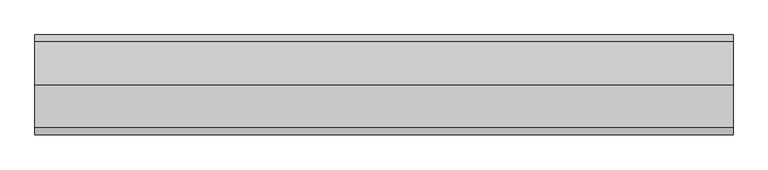
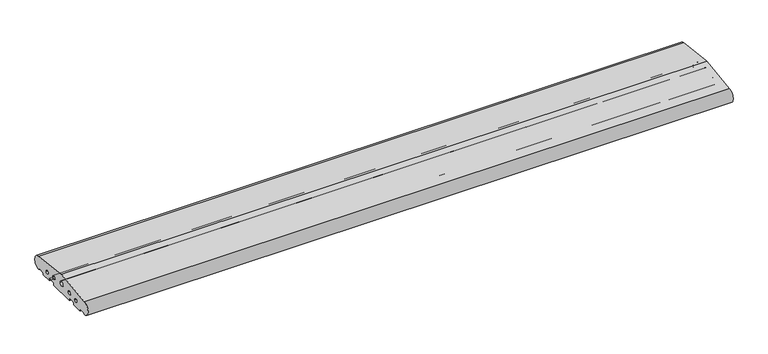
"""IFC4 building model written with IfcOpenShell, lengths in millimetres: proxy geometry."""

from ifc_helpers import new_model, si_unit, point, frame, frame_2d, origin, place, context, project, spatial, polyline, circle_curve, trimmed, segment, composite_curve, outline, extrude, source, transform, mapped, element, save


def generic_models_710beaf4(model_context):
    return source(origin(), model_context, "Body", "SweptSolid", [
        extrude(outline(composite_curve([segment(trimmed(circle_curve(frame_2d((26.5732255, 3.5071443)), 1.0), [point((26.5981483, 2.5074549))], [point((25.7072001, 3.0071443))], False, "CARTESIAN"), True, "CONTINUOUS"), segment(polyline([(25.7072001, 3.0071443), (23.6905989, 6.5)]), True, "CONTINUOUS"), segment(trimmed(circle_curve(frame_2d((21.9585481, 5.5)), 2.0), [point((23.6905989, 6.5))], [point((21.9585481, 7.5))], True, "CARTESIAN"), True, "CONTINUOUS"), segment(polyline([(21.9585481, 7.5), (5.4848276, 7.5)]), True, "CONTINUOUS"), segment(trimmed(circle_curve(frame_2d((5.4848276, 5.5)), 2.0), [point((5.4848276, 7.5))], [point((3.7527767, 6.5))], True, "CARTESIAN"), True, "CONTINUOUS"), segment(polyline([(3.7527767, 6.5), (0.2886751, 0.5)]), True, "CONTINUOUS"), segment(trimmed(circle_curve(frame_2d((-0.5773503, 1.0)), 1.0), [point((0.2886751, 0.5))], [point((-0.5773503, 0.0))], False, "CARTESIAN"), True, "CONTINUOUS"), segment(polyline([(-0.5773503, 0.0), (-35.5, 0.0)]), True, "CONTINUOUS"), segment(trimmed(circle_curve(frame_2d((-35.5, 1.0)), 1.0), [point((-35.5, 0.0))], [point((-36.5, 1.0))], False, "CARTESIAN"), True, "CONTINUOUS"), segment(polyline([(-36.5, 1.0), (-36.5, 7.0)]), True, "CONTINUOUS"), segment(trimmed(circle_curve(frame_2d((-38.5, 7.0)), 2.0), [point((-36.5, 7.0))], [point((-38.5, 9.0))], True, "CARTESIAN"), True, "CONTINUOUS"), segment(polyline([(-38.5, 9.0), (-61.5, 9.0)]), True, "CONTINUOUS"), segment(trimmed(circle_curve(frame_2d((-61.5, 7.0)), 2.0), [point((-61.5, 9.0))], [point((-63.5, 7.0))], True, "CARTESIAN"), True, "CONTINUOUS"), segment(polyline([(-63.5, 7.0), (-63.5, 1.0)]), True, "CONTINUOUS"), segment(trimmed(circle_curve(frame_2d((-64.5, 1.0)), 1.0), [point((-63.5, 1.0))], [point((-64.5, 0.0))], False, "CARTESIAN"), True, "CONTINUOUS"), segment(polyline([(-64.5, 0.0), (-155.5, 0.0)]), True, "CONTINUOUS"), segment(trimmed(circle_curve(frame_2d((-155.5, 1.0)), 1.0), [point((-155.5, 0.0))], [point((-156.5, 1.0))], False, "CARTESIAN"), True, "CONTINUOUS"), segment(polyline([(-156.5, 1.0), (-156.5, 7.0)]), True, "CONTINUOUS"), segment(trimmed(circle_curve(frame_2d((-158.5, 7.0)), 2.0), [point((-156.5, 7.0))], [point((-158.5, 9.0))], True, "CARTESIAN"), True, "CONTINUOUS"), segment(polyline([(-158.5, 9.0), (-181.5, 9.0)]), True, "CONTINUOUS"), segment(trimmed(circle_curve(frame_2d((-181.5, 7.0)), 2.0), [point((-181.5, 9.0))], [point((-183.5, 7.0))], True, "CARTESIAN"), True, "CONTINUOUS"), segment(polyline([(-183.5, 7.0), (-183.5, 1.0)]), True, "CONTINUOUS"), segment(trimmed(circle_curve(frame_2d((-184.5, 1.0)), 1.0), [point((-183.5, 1.0))], [point((-184.5, 0.0))], False, "CARTESIAN"), True, "CONTINUOUS"), segment(polyline([(-184.5, 0.0), (-219.4226497, 0.0)]), True, "CONTINUOUS"), segment(trimmed(circle_curve(frame_2d((-219.4226497, 1.0)), 1.0), [point((-219.4226497, 0.0))], [point((-220.2886751, 0.5))], False, "CARTESIAN"), True, "CONTINUOUS"), segment(polyline([(-220.2886751, 0.5), (-223.7527767, 6.5)]), True, "CONTINUOUS"), segment(trimmed(circle_curve(frame_2d((-225.4848276, 5.5)), 2.0), [point((-223.7527767, 6.5))], [point((-225.4848276, 7.5))], True, "CARTESIAN"), True, "CONTINUOUS"), segment(polyline([(-225.4848276, 7.5), (-241.9585481, 7.5)]), True, "CONTINUOUS"), segment(trimmed(circle_curve(frame_2d((-241.9585481, 5.5)), 2.0), [point((-241.9585481, 7.5))], [point((-243.6905989, 6.5))], True, "CARTESIAN"), True, "CONTINUOUS"), segment(polyline([(-243.6905989, 6.5), (-245.7072001, 3.0071443)]), True, "CONTINUOUS"), segment(trimmed(circle_curve(frame_2d((-246.5732255, 3.5071443)), 1.0), [point((-245.7072001, 3.0071443))], [point((-246.5981483, 2.5074549))], False, "CARTESIAN"), True, "CONTINUOUS"), segment(trimmed(circle_curve(frame_2d((-246.0, 26.5)), 24.0), [point((-246.5981483, 2.5074549))], [point((-248.0858073, 50.4091909))], False, "CARTESIAN"), True, "CONTINUOUS"), segment(polyline([(-248.0858073, 50.4091909), (-110.0, 66.8161089), (28.0858073, 50.4091909)]), True, "CONTINUOUS"), segment(trimmed(circle_curve(frame_2d((26.0, 26.5)), 24.0), [point((28.0858073, 50.4091909))], [point((26.5981483, 2.5074549))], False, "CARTESIAN"), True, "CONTINUOUS")], self_intersect=False), holes=[composite_curve([segment(trimmed(circle_curve(frame_2d((-196.220606, 23.1932995)), 6.0), [point((-202.220606, 23.1932995))], [point((-190.220606, 23.1932995))], True, "CARTESIAN"), True, "CONTINUOUS"), segment(trimmed(circle_curve(frame_2d((-196.220606, 23.1932995)), 6.0), [point((-190.220606, 23.1932995))], [point((-202.220606, 23.1932995))], True, "CARTESIAN"), True, "CONTINUOUS")], self_intersect=False), composite_curve([segment(trimmed(circle_curve(frame_2d((-110.0, 33.3783502)), 7.9558517), [point((-117.9558517, 33.3783502))], [point((-102.0441483, 33.3783502))], True, "CARTESIAN"), True, "CONTINUOUS"), segment(trimmed(circle_curve(frame_2d((-110.0, 33.3783502)), 7.9558517), [point((-102.0441483, 33.3783502))], [point((-117.9558517, 33.3783502))], True, "CARTESIAN"), True, "CONTINUOUS")], self_intersect=False), composite_curve([segment(trimmed(circle_curve(frame_2d((-63.5, 27.912776)), 6.0), [point((-69.5, 27.912776))], [point((-57.5, 27.912776))], True, "CARTESIAN"), True, "CONTINUOUS"), segment(trimmed(circle_curve(frame_2d((-63.5, 27.912776)), 6.0), [point((-57.5, 27.912776))], [point((-69.5, 27.912776))], True, "CARTESIAN"), True, "CONTINUOUS")], self_intersect=False), composite_curve([segment(trimmed(circle_curve(frame_2d((-23.779394, 23.1932995)), 6.0), [point((-29.779394, 23.1932995))], [point((-17.779394, 23.1932995))], True, "CARTESIAN"), True, "CONTINUOUS"), segment(trimmed(circle_curve(frame_2d((-23.779394, 23.1932995)), 6.0), [point((-17.779394, 23.1932995))], [point((-29.779394, 23.1932995))], True, "CARTESIAN"), True, "CONTINUOUS")], self_intersect=False), composite_curve([segment(trimmed(circle_curve(frame_2d((-156.5, 27.912776)), 6.0), [point((-162.5, 27.912776))], [point((-150.5, 27.912776))], True, "CARTESIAN"), True, "CONTINUOUS"), segment(trimmed(circle_curve(frame_2d((-156.5, 27.912776)), 6.0), [point((-150.5, 27.912776))], [point((-162.5, 27.912776))], True, "CARTESIAN"), True, "CONTINUOUS")], self_intersect=False)]), frame((0.0, 0.0, 0.0), z_axis=(1.0, 0.0, 0.0), x_axis=(0.0, 1.0, 0.0)), (0.0, 0.0, 1.0), 2240.0),
    ])


if __name__ == "__main__":
    model = new_model("IFC4")
    model_context = context("Model", 3, world=origin())
    ifc_project = project(units=[si_unit("LENGTHUNIT", "METRE", prefix="MILLI")], contexts=[model_context])
    site = spatial("IfcSite", under=ifc_project)
    building = spatial("IfcBuilding", under=site)
    placement = place(None, origin())
    generic_models_shape = generic_models_710beaf4(model_context)
    element("IfcBuildingElementProxy", 1, Name="Generic Models", at=placement, inside=building, context=model_context, shape_type="MappedRepresentation", body=[
        mapped(generic_models_shape, transform((0.0, 0.0, 0.0), x_axis=(1.0, 0.0, 0.0), y_axis=(0.0, 1.0, 0.0), z_axis=(0.0, 0.0, 1.0))),
    ])
    save(model, "model.ifc")
